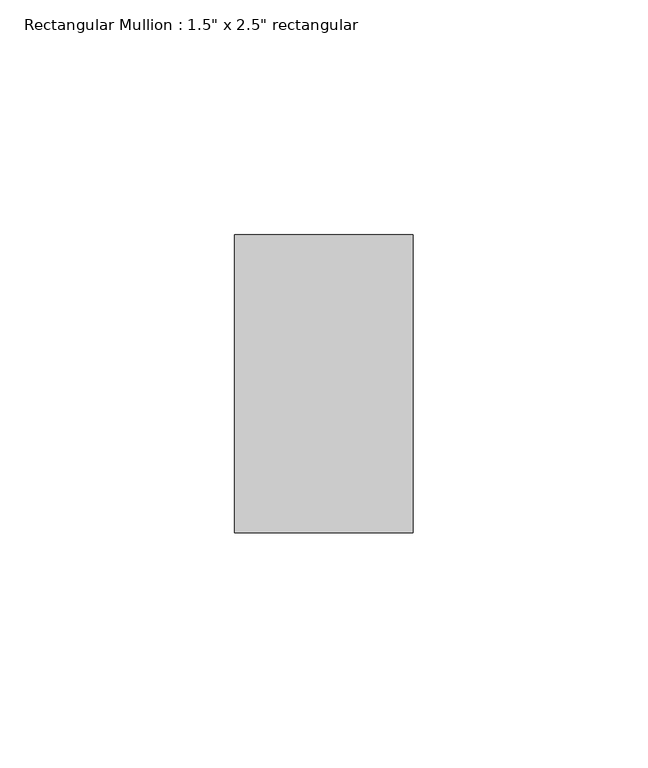
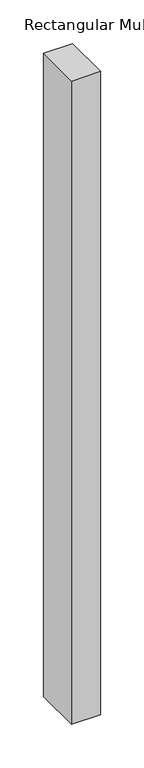
"""IFC4 building model written with IfcOpenShell, lengths in millimetres: member geometry."""

from ifc_helpers import new_model, si_unit, frame, origin, place, context, project, spatial, polyline, outline, extrude, source, transform, mapped, element, save


def member_4e67e581(model_context):
    return source(origin(), model_context, "Body", "SweptSolid", [
        extrude(outline(polyline([(19.05, 31.75), (19.05, -31.75), (-19.05, -31.75), (-19.05, 31.75), (19.05, 31.75)])), frame((0.0, 0.0, -895.35), z_axis=(0.0, 0.0, 1.0), x_axis=(1.0, 0.0, 0.0)), (0.0, 0.0, 1.0), 895.35),
    ])


if __name__ == "__main__":
    model = new_model("IFC4")
    model_context = context("Model", 3, world=origin())
    ifc_project = project(units=[si_unit("LENGTHUNIT", "METRE", prefix="MILLI")], contexts=[model_context])
    site = spatial("IfcSite", under=ifc_project)
    building = spatial("IfcBuilding", under=site)
    placement = place(None, origin())
    member_shape = member_4e67e581(model_context)
    element("IfcMember", 1, ObjectType="Rectangular Mullion : 1.5\" x 2.5\" rectangular", at=placement, inside=building, context=model_context, shape_type="MappedRepresentation", body=[
        mapped(member_shape, transform((0.0, 0.0, 0.0), x_axis=(1.0, 0.0, 0.0), y_axis=(0.0, 1.0, 0.0), z_axis=(0.0, 0.0, 1.0))),
    ])
    save(model, "model.ifc")
